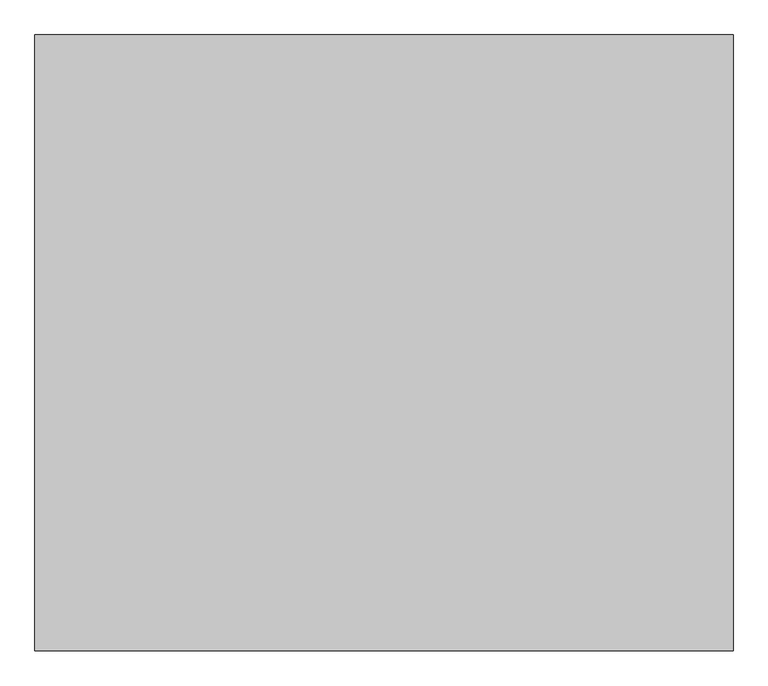
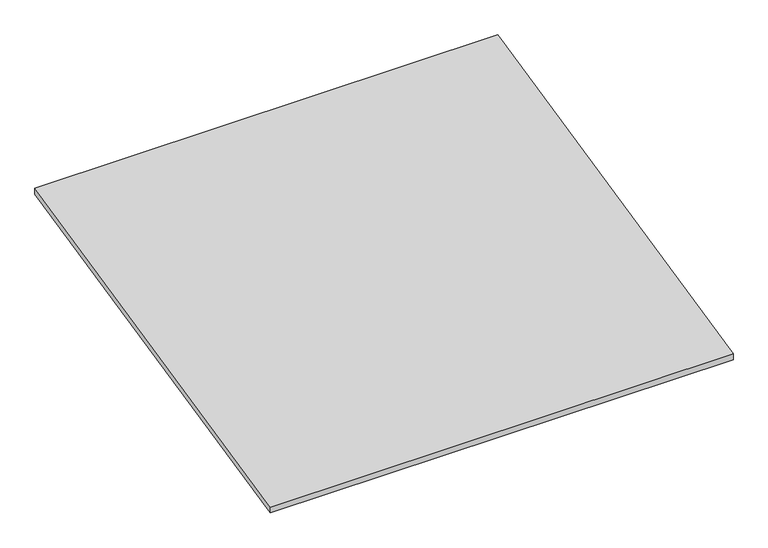
"""IFC4 building model written with IfcOpenShell, lengths in millimetres: ramp geometry."""

from ifc_helpers import new_model, si_unit, frame, origin, place, context, project, spatial, polyline, outline, extrude, source, transform, mapped, element, save


def ramp_3640ece6(model_context):
    return source(origin(), model_context, "Body", "SweptSolid", [
        extrude(outline(polyline([(7.9644467, -2200.0), (10007.9644467, 0.0), (10007.9644467, -153.5871088), (7.9644467, -2353.5871088), (7.9644467, -2200.0)])), frame((-5817.8603756, 0.0, 0.0), z_axis=(1.0, 0.0, 0.0), x_axis=(0.0, 1.0, 0.0)), (0.0, 0.0, 1.0), 11340.0),
    ])


if __name__ == "__main__":
    model = new_model("IFC4")
    model_context = context("Model", 3, world=origin())
    ifc_project = project(units=[si_unit("LENGTHUNIT", "METRE", prefix="MILLI")], contexts=[model_context])
    site = spatial("IfcSite", under=ifc_project)
    building = spatial("IfcBuilding", under=site)
    placement = place(None, origin())
    ramp_shape = ramp_3640ece6(model_context)
    element("IfcRamp", 1, at=placement, inside=building, context=model_context, shape_type="MappedRepresentation", body=[
        mapped(ramp_shape, transform((0.0, 0.0, 0.0), x_axis=(1.0, 0.0, 0.0), y_axis=(0.0, 1.0, 0.0), z_axis=(0.0, 0.0, 1.0))),
    ])
    save(model, "model.ifc")
